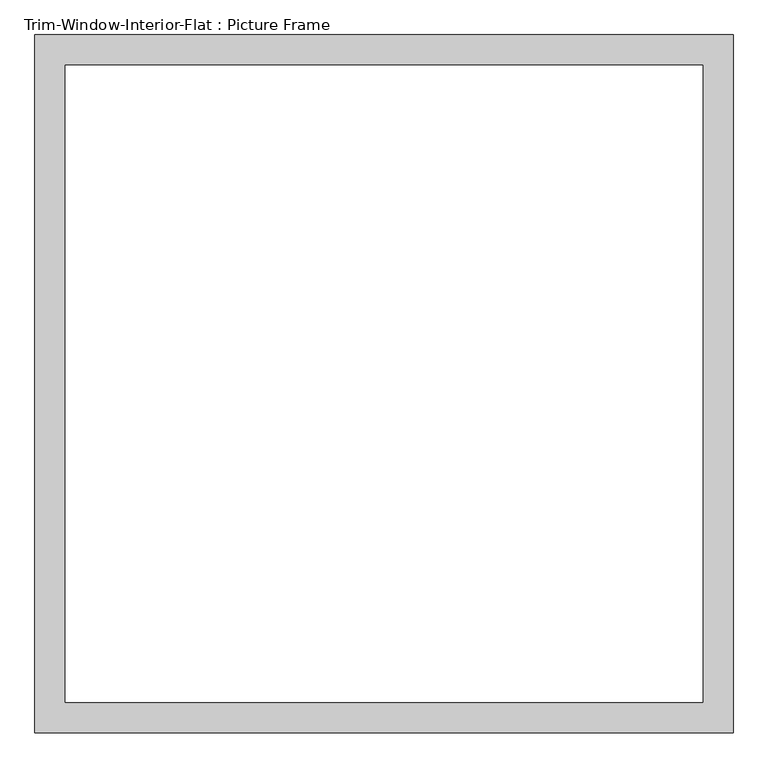
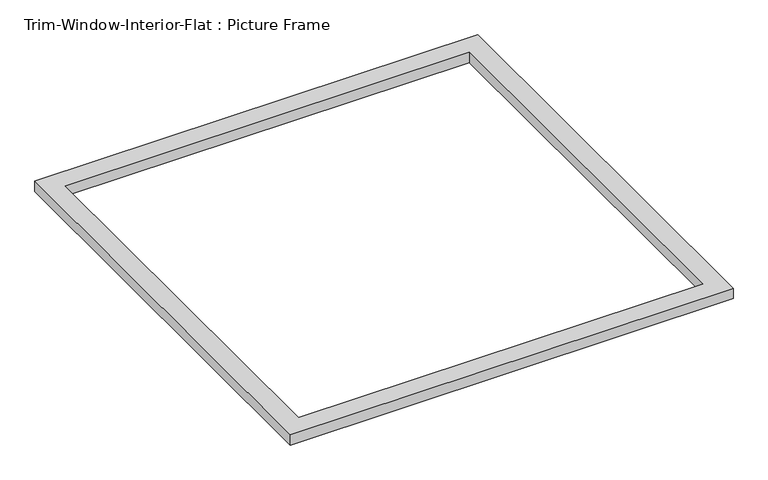
"""IFC4 building model written with IfcOpenShell, lengths in millimetres: proxy geometry, Trim-Window-Interior-Flat : Picture Frame."""

from ifc_helpers import new_model, si_unit, origin, origin_with_axes, place, context, project, spatial, polyline, outline, extrude, source, transform, mapped, element, save


def trim_window_interior_flat_picture_frame_caf2db4f(model_context):
    return source(origin(), model_context, "Body", "SweptSolid", [
        extrude(outline(polyline([(654.05, -44.45), (-654.05, -44.45), (-654.05, 1263.65), (654.05, 1263.65), (654.05, -44.45)]), holes=[polyline([(596.9, 12.7), (596.9, 1206.5), (-596.9, 1206.5), (-596.9, 12.7), (596.9, 12.7)])]), origin_with_axes(), (0.0, 0.0, 1.0), 31.75),
    ])


if __name__ == "__main__":
    model = new_model("IFC4")
    model_context = context("Model", 3, world=origin())
    ifc_project = project(units=[si_unit("LENGTHUNIT", "METRE", prefix="MILLI")], contexts=[model_context])
    site = spatial("IfcSite", under=ifc_project)
    building = spatial("IfcBuilding", under=site)
    placement = place(None, origin())
    trim_window_interior_flat_picture_frame_shape = trim_window_interior_flat_picture_frame_caf2db4f(model_context)
    element("IfcBuildingElementProxy", 1, Name="Trim-Window-Interior-Flat : Picture Frame", ObjectType="Trim-Window-Interior-Flat : Picture Frame", at=placement, inside=building, context=model_context, shape_type="MappedRepresentation", body=[
        mapped(trim_window_interior_flat_picture_frame_shape, transform((0.0, 0.0, 0.0), x_axis=(1.0, 0.0, 0.0), y_axis=(0.0, 1.0, 0.0), z_axis=(0.0, 0.0, 1.0))),
    ])
    save(model, "model.ifc")
